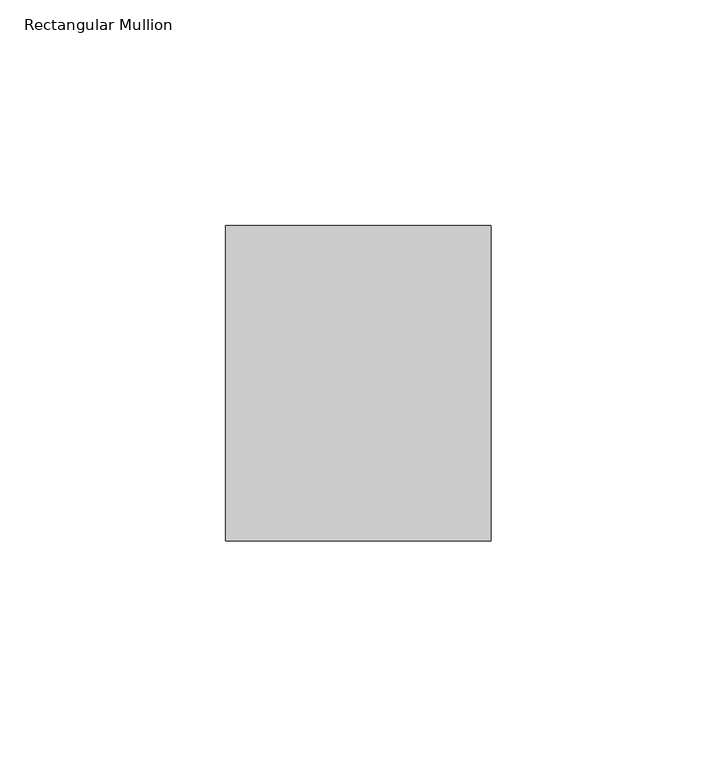
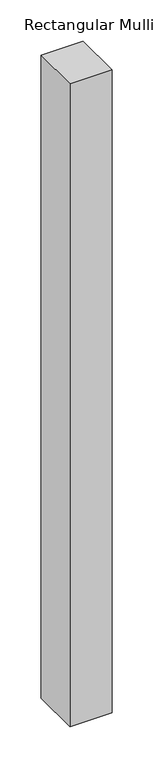
"""IFC4 building model written with IfcOpenShell, lengths in millimetres: member geometry, Rectangular Mullion."""

import ifcopenshell
import ifcopenshell.guid

model = None  # the IFC model being written
_history = None  # IfcOwnerHistory: only IFC2X3 demands one
_inside = {}  # id of a spatial element -> (the spatial element, [elements in it])
_under = {}  # id of a project, library or spatial element -> (it, [spatial elements below it])
_declared = {}  # id of a project -> (the project, [libraries it declares])
_typed = {}  # id of a type object -> (the type object, [elements of that type])
_made_of = {}  # id of a material, layer set ... -> (it, [elements and type objects made of it])


def new_model(schema):
    """Start an empty IFC model of exactly this schema.

    Asked for "IFC4X3", IfcOpenShell would pick the latest addendum, in which some entities
    have other attributes; the version numbers below select the first issue.
    IFC2X3 requires an IfcOwnerHistory on every rooted entity: one is made here for all.
    """
    global model, _history
    if schema == "IFC4X3":
        model = ifcopenshell.file(schema_version=(4, 3, 0, 0))
    else:
        model = ifcopenshell.file(schema=schema)
    _inside.clear()
    _under.clear()
    _declared.clear()
    _typed.clear()
    _made_of.clear()
    _history = None
    if model.schema == "IFC2X3":
        org = make("IfcOrganization", Name="unknown")
        user = make(
            "IfcPersonAndOrganization",
            ThePerson=make("IfcPerson", FamilyName="unknown"),
            TheOrganization=org,
        )
        app = make(
            "IfcApplication",
            ApplicationDeveloper=org,
            Version="unknown",
            ApplicationFullName="unknown",
            ApplicationIdentifier="unknown",
        )
        _history = make(
            "IfcOwnerHistory",
            OwningUser=user,
            OwningApplication=app,
            ChangeAction="ADDED",
            CreationDate=0,
        )
    return model


def make(cls, **values):
    """One entity of the class cls with the attributes given. An attribute that is None is left unset."""
    return model.create_entity(
        cls, **{name: value for name, value in values.items() if value is not None}
    )


def rooted(cls, **values):
    """An entity with a GlobalId (a new one), such as an element, a storey or a relation."""
    return make(cls, GlobalId=ifcopenshell.guid.new(), OwnerHistory=_history, **values)


def si_unit(unit_type, name, prefix=None):
    """IfcSIUnit, for example si_unit("LENGTHUNIT", "METRE", prefix="MILLI")."""
    return make("IfcSIUnit", UnitType=unit_type, Prefix=prefix, Name=name)


def assignment(units):
    """IfcUnitAssignment: the units of a project."""
    return None if units is None else make("IfcUnitAssignment", Units=units)


def point(xyz):
    """IfcCartesianPoint."""
    return None if xyz is None else make("IfcCartesianPoint", Coordinates=xyz)


def direction(xyz):
    """IfcDirection."""
    return None if xyz is None else make("IfcDirection", DirectionRatios=xyz)


def frame(location, z_axis=None, x_axis=None):
    """IfcAxis2Placement3D, a coordinate frame: its origin and axes. An axis left out is left unset."""
    return make(
        "IfcAxis2Placement3D",
        Location=point(location),
        Axis=direction(z_axis),
        RefDirection=direction(x_axis),
    )


def origin():
    """The frame at (0, 0, 0) with its axes left unset."""
    return frame((0.0, 0.0, 0.0))


def place(relative_to, where):
    """IfcLocalPlacement: puts the frame where relative to a parent placement (None: the world)."""
    return make(
        "IfcLocalPlacement", PlacementRelTo=relative_to, RelativePlacement=where
    )


def context(
    kind, dimensions, precision=None, world=None, true_north=None, identifier=None
):
    """IfcGeometricRepresentationContext, for example the 3D "Model" context."""
    return make(
        "IfcGeometricRepresentationContext",
        ContextIdentifier=identifier,
        ContextType=kind,
        CoordinateSpaceDimension=dimensions,
        Precision=precision,
        WorldCoordinateSystem=world,
        TrueNorth=true_north,
    )


def project(units=None, contexts=None):
    """IfcProject with its units and contexts."""
    return rooted(
        "IfcProject",
        Name="project",
        RepresentationContexts=contexts,
        UnitsInContext=assignment(units),
    )


def spatial(cls, under=None, at=None, **own):
    """A site, building, storey or space (cls), placed at a placement, below another one or the project."""
    s = rooted(cls, ObjectPlacement=at, **own)
    if under is not None:
        _under.setdefault(under.id(), (under, []))[1].append(s)
    return s


def polyline(points):
    """IfcPolyline through the points."""
    return make("IfcPolyline", Points=[point(p) for p in points])


def outline(outer, holes=None, kind="AREA"):
    """IfcArbitraryClosedProfileDef: a profile drawn as a closed curve; with holes, ...WithVoids."""
    if holes is None:
        return make("IfcArbitraryClosedProfileDef", ProfileType=kind, OuterCurve=outer)
    return make(
        "IfcArbitraryProfileDefWithVoids",
        ProfileType=kind,
        OuterCurve=outer,
        InnerCurves=holes,
    )


def extrude(swept, where, along, depth):
    """IfcExtrudedAreaSolid: the profile swept, set in the frame where, extruded along a direction by depth."""
    return make(
        "IfcExtrudedAreaSolid",
        SweptArea=swept,
        Position=where,
        ExtrudedDirection=direction(along),
        Depth=depth,
    )


def shape(context_of_items, identifier, shape_type, items):
    """IfcShapeRepresentation: the items that make up one representation, for example the "Body"."""
    return make(
        "IfcShapeRepresentation",
        ContextOfItems=context_of_items,
        RepresentationIdentifier=identifier,
        RepresentationType=shape_type,
        Items=items,
    )


def source(mapping_origin, context_of_items, identifier, shape_type, items):
    """IfcRepresentationMap: a shape defined once, which mapped items show again and again."""
    return make(
        "IfcRepresentationMap",
        MappingOrigin=mapping_origin,
        MappedRepresentation=shape(context_of_items, identifier, shape_type, items),
    )


def transform(
    local_origin,
    x_axis=None,
    y_axis=None,
    z_axis=None,
    scale=None,
    scale2=None,
    scale3=None,
    uniform=True,
):
    """IfcCartesianTransformationOperator3D, or its non-uniform kind. x_axis, y_axis, z_axis: its Axis1, 2, 3."""
    if uniform:
        return make(
            "IfcCartesianTransformationOperator3D",
            Axis1=direction(x_axis),
            Axis2=direction(y_axis),
            LocalOrigin=point(local_origin),
            Scale=scale,
            Axis3=direction(z_axis),
        )
    return make(
        "IfcCartesianTransformationOperator3DnonUniform",
        Axis1=direction(x_axis),
        Axis2=direction(y_axis),
        LocalOrigin=point(local_origin),
        Scale=scale,
        Axis3=direction(z_axis),
        Scale2=scale2,
        Scale3=scale3,
    )


def mapped(mapping_source, mapping_target):
    """IfcMappedItem: shows the shape of a source again, moved by a transform."""
    return make(
        "IfcMappedItem", MappingSource=mapping_source, MappingTarget=mapping_target
    )


def made_of(thing, what):
    """Note that an element or type object is made of a material, layer set ...; save() writes the relation."""
    if what is not None:
        _made_of.setdefault(what.id(), (what, []))[1].append(thing)
    return thing


def element(
    cls,
    number,
    at=None,
    inside=None,
    cuts=None,
    type_object=None,
    material=None,
    context=None,
    identifier="Body",
    shape_type=None,
    held_by="IfcProductDefinitionShape",
    body=None,
    shapes=None,
    **own,
):
    """One element of the class cls, such as IfcWall. Its Tag is "e" and its number.

    at: its placement. inside: the storey or other place that contains it. cuts: it is an
    opening in that element (IfcRelVoidsElement). A single representation is given by context,
    identifier, shape_type and body (its items); several are given by shapes. held_by: the class
    of the entity that holds the representations. save() writes the other relations.
    """
    e = rooted(cls, Tag="e%d" % number, ObjectPlacement=at, **own)
    if body is not None:
        shapes = [shape(context, identifier, shape_type, body)]
    if shapes is not None:
        e.Representation = make(held_by, Representations=shapes)
    if inside is not None:
        _inside.setdefault(inside.id(), (inside, []))[1].append(e)
    if cuts is not None:
        rooted(
            "IfcRelVoidsElement", RelatingBuildingElement=cuts, RelatedOpeningElement=e
        )
    if type_object is not None:
        _typed.setdefault(type_object.id(), (type_object, []))[1].append(e)
    return made_of(e, material)


def aggregate(whole, parts):
    """IfcRelAggregates: a whole, such as a stair, and the parts it consists of."""
    return rooted("IfcRelAggregates", RelatingObject=whole, RelatedObjects=parts)


def save(model, path):
    """Write the relations noted so far, then the file.

    IfcRelAggregates (storeys below a building ...), IfcRelContainedInSpatialStructure (elements
    in a storey), IfcRelDefinesByType, IfcRelAssociatesMaterial and IfcRelDeclares: one each for
    every whole, place, type object, material and project.
    """
    for whole, parts in _under.values():
        aggregate(whole, parts)
    for where, things in _inside.values():
        rooted(
            "IfcRelContainedInSpatialStructure",
            RelatedElements=things,
            RelatingStructure=where,
        )
    for kind, things in _typed.values():
        rooted("IfcRelDefinesByType", RelatedObjects=things, RelatingType=kind)
    for what, things in _made_of.values():
        rooted("IfcRelAssociatesMaterial", RelatedObjects=things, RelatingMaterial=what)
    for by, libraries in _declared.values():
        rooted("IfcRelDeclares", RelatingContext=by, RelatedDefinitions=libraries)
    model.write(path)


def rectangular_mullion_2c7678ef(model_context):
    return source(origin(), model_context, "Body", "SweptSolid", [
        extrude(outline(polyline([(0.0, 34.925), (0.0, -34.925), (-58.7375, -34.925), (-58.7375, 34.925), (0.0, 34.925)])), frame((0.0, 0.0, -950.9125), z_axis=(0.0, 0.0, 1.0), x_axis=(1.0, 0.0, 0.0)), (0.0, 0.0, 1.0), 950.9125),
    ])


if __name__ == "__main__":
    model = new_model("IFC4")
    model_context = context("Model", 3, world=origin())
    ifc_project = project(units=[si_unit("LENGTHUNIT", "METRE", prefix="MILLI")], contexts=[model_context])
    site = spatial("IfcSite", under=ifc_project)
    building = spatial("IfcBuilding", under=site)
    placement = place(None, origin())
    rectangular_mullion_shape = rectangular_mullion_2c7678ef(model_context)
    element("IfcMember", 1, ObjectType="Rectangular Mullion", at=placement, inside=building, context=model_context, shape_type="MappedRepresentation", body=[
        mapped(rectangular_mullion_shape, transform((0.0, 0.0, 0.0), x_axis=(1.0, 0.0, 0.0), y_axis=(0.0, 1.0, 0.0), z_axis=(0.0, 0.0, 1.0))),
    ])
    save(model, "model.ifc")
